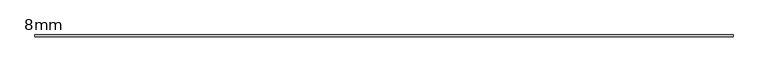
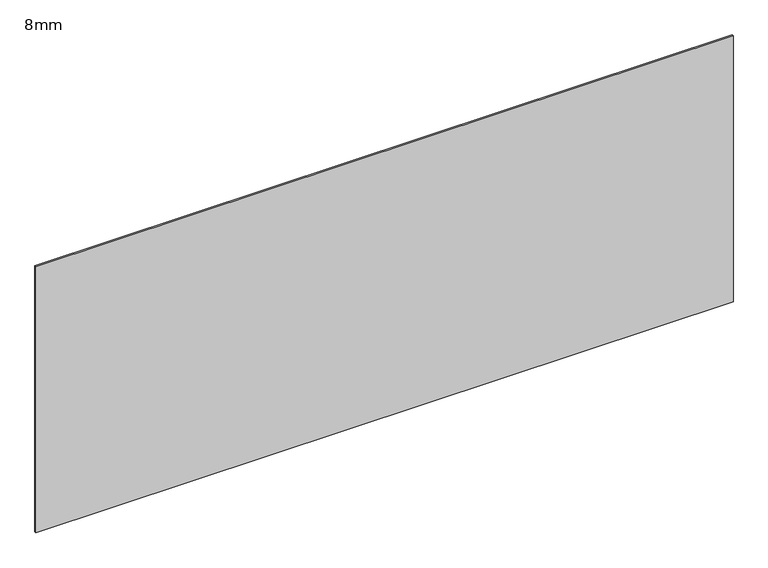
"""IFC4 building model written with IfcOpenShell, lengths in millimetres: plate geometry, 8mm."""

from ifc_helpers import new_model, si_unit, origin, origin_with_axes, place, context, project, spatial, polyline, outline, extrude, source, transform, mapped, element, save


def plate_8mm_6de32995(model_context):
    return source(origin(), model_context, "Body", "SweptSolid", [
        extrude(outline(polyline([(1550.0, 4.0), (1550.0, -4.0), (-1550.0, -4.0), (-1550.0, 4.0), (1550.0, 4.0)])), origin_with_axes(), (0.0, 0.0, 1.0), 1250.0),
    ])


if __name__ == "__main__":
    model = new_model("IFC4")
    model_context = context("Model", 3, world=origin())
    ifc_project = project(units=[si_unit("LENGTHUNIT", "METRE", prefix="MILLI")], contexts=[model_context])
    site = spatial("IfcSite", under=ifc_project)
    building = spatial("IfcBuilding", under=site)
    placement = place(None, origin())
    plate_8mm_shape = plate_8mm_6de32995(model_context)
    element("IfcPlate", 1, ObjectType="8mm", at=placement, inside=building, context=model_context, shape_type="MappedRepresentation", body=[
        mapped(plate_8mm_shape, transform((0.0, 0.0, 0.0), x_axis=(1.0, 0.0, 0.0), y_axis=(0.0, 1.0, 0.0), z_axis=(0.0, 0.0, 1.0))),
    ])
    save(model, "model.ifc")
